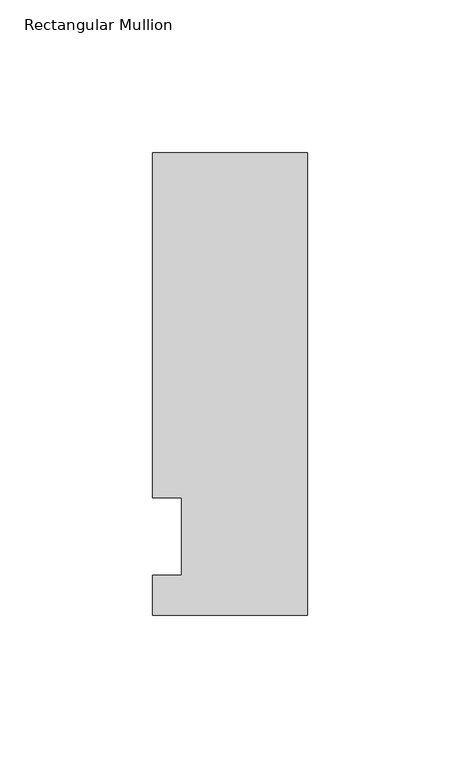
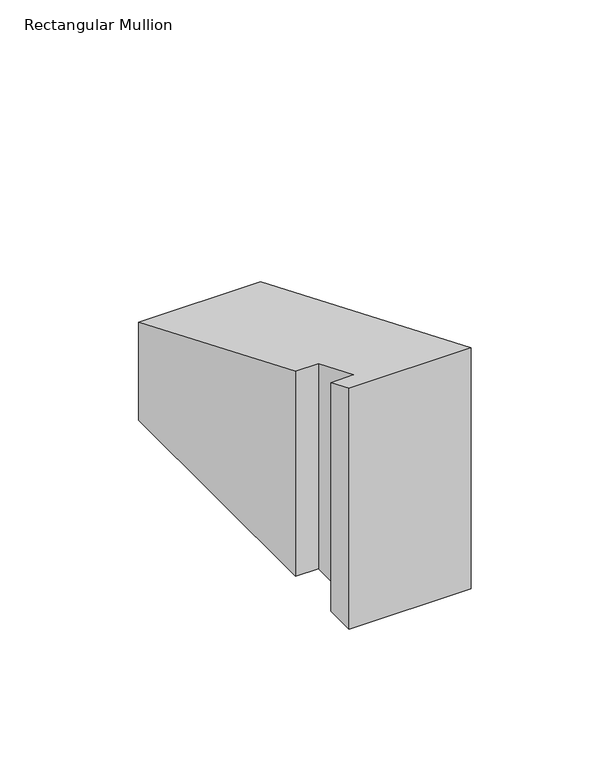
"""IFC4 building model written with IfcOpenShell, lengths in millimetres: member geometry, Rectangular Mullion."""

from ifc_helpers import new_model, si_unit, origin, place, context, project, spatial, faceted_brep, source, transform, mapped, element, save


def rectangular_mullion_8fab3d8f(model_context):
    return source(origin(), model_context, "Body", "Brep", [
        faceted_brep([(-50.8, -25.7961253, -95.25), (-50.8, -12.7, -95.25), (-41.275, -12.7, -95.25), (-41.275, 12.7, -95.25), (-50.8, 12.7, -95.25), (-50.8, 125.8036906, -95.25), (0.0, 125.8036906, -95.25), (0.0, -25.7961253, -95.25), (0.0, -25.7961253, 10.685105), (-50.8, -25.7961253, 10.685105), (0.0, 125.8036906, -52.1095948), (-50.8, 125.8036906, -52.1095948), (-50.8, 12.7, -5.2605122), (-41.275, 12.7, -5.2605122), (-41.275, -12.7, 5.2605122), (-50.8, -12.7, 5.2605122)], [[[0, 1, 2, 3, 4, 5, 6, 7]], [[8, 9, 0, 7]], [[10, 8, 7, 6]], [[11, 10, 6, 5]], [[12, 11, 5, 4]], [[13, 12, 4, 3]], [[14, 13, 3, 2]], [[15, 14, 2, 1]], [[9, 15, 1, 0]], [[9, 8, 10, 11, 12, 13, 14, 15]]]),
    ])


if __name__ == "__main__":
    model = new_model("IFC4")
    model_context = context("Model", 3, world=origin())
    ifc_project = project(units=[si_unit("LENGTHUNIT", "METRE", prefix="MILLI")], contexts=[model_context])
    site = spatial("IfcSite", under=ifc_project)
    building = spatial("IfcBuilding", under=site)
    placement = place(None, origin())
    rectangular_mullion_shape = rectangular_mullion_8fab3d8f(model_context)
    element("IfcMember", 1, ObjectType="Rectangular Mullion", at=placement, inside=building, context=model_context, shape_type="MappedRepresentation", body=[
        mapped(rectangular_mullion_shape, transform((0.0, 0.0, 0.0), x_axis=(1.0, 0.0, 0.0), y_axis=(0.0, 1.0, 0.0), z_axis=(0.0, 0.0, 1.0))),
    ])
    save(model, "model.ifc")
